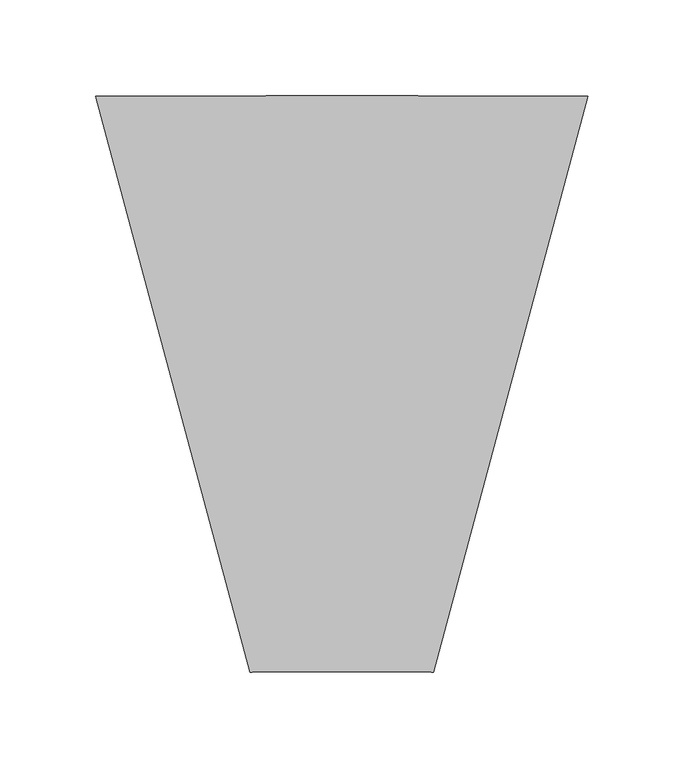
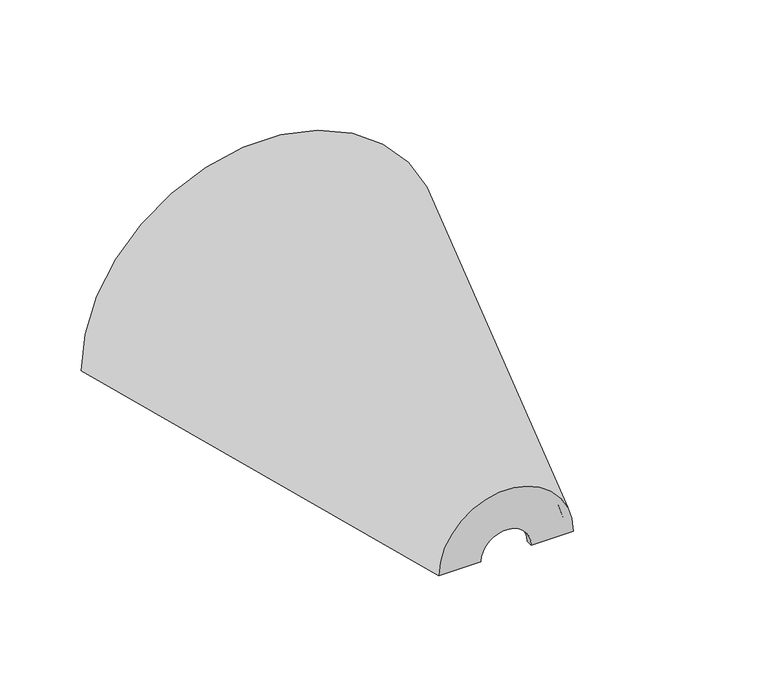
"""IFC4 building model written with IfcOpenShell, lengths in millimetres: light fixture geometry."""

from ifc_helpers import new_model, si_unit, frame, origin, place, context, project, spatial, polyline, circle_curve, source, transform, mapped, element, save
from ifc_brep_helpers import plane_surface, revolved_surface, advanced_brep


def light_fixture_4df6b3dd(model_context):
    return source(origin(), model_context, "Body", "AdvancedBrep", [
        advanced_brep(
        [(-128.2050808, 300.0, 0.0), (-123.0286999, 300.0, 0.0), (-43.9836881, 5.0, 0.0), (-17.820323, 5.0, 0.0), (-17.820323, 0.0, 0.0), (-47.820323, 0.0, 0.0), (128.2050808, 300.0, 0.0), (47.820323, 0.0, 0.0), (17.820323, 0.0, 0.0), (17.820323, 5.0, 0.0), (43.9836881, 5.0, 0.0), (123.0286999, 300.0, 0.0)],
        [
            (0, 1),
            (1, 2),
            (2, 3),
            (3, 4),
            (4, 5),
            (5, 0),
            (6, 7),
            (7, 8),
            (8, 9),
            (9, 10),
            (10, 11),
            (11, 6),
            (6, 0, circle_curve(frame((0.0, 300.0, 0.0), z_axis=(0.0, -1.0, 0.0), x_axis=(-1.0, 0.0, 0.0)), 128.2050808)),
            (5, 7, circle_curve(frame((0.0, 0.0, 0.0), z_axis=(0.0, 1.0, 0.0), x_axis=(-1.0, 0.0, 0.0)), 47.820323)),
            (4, 8, circle_curve(frame((0.0, 0.0, 0.0), z_axis=(0.0, 1.0, 0.0), x_axis=(-1.0, 0.0, 0.0)), 17.820323)),
            (3, 9, circle_curve(frame((0.0, 5.0, 0.0), z_axis=(0.0, 1.0, 0.0), x_axis=(-1.0, 0.0, 0.0)), 17.820323)),
            (2, 10, circle_curve(frame((0.0, 5.0, 0.0), z_axis=(0.0, 1.0, 0.0), x_axis=(-1.0, 0.0, 0.0)), 43.9836881)),
            (1, 11, circle_curve(frame((0.0, 300.0, 0.0), z_axis=(0.0, 1.0, 0.0), x_axis=(-1.0, 0.0, 0.0)), 123.0286999)),
        ],
        [
            plane_surface(frame((0.0, 1424.0, 0.0), z_axis=(0.0, 0.0, -1.0), x_axis=(-1.0, 0.0, 0.0))),
            plane_surface(frame((0.0, 1424.0, 0.0), z_axis=(0.0, 0.0, -1.0), x_axis=(1.0, 0.0, 0.0))),
            revolved_surface(polyline([(-128.2050808, 300.0, 0.0), (-47.820323, 0.0, 0.0)]), (0.0, 1424.0, 0.0), (0.0, -1.0, 0.0)),
            plane_surface(frame((0.0, 0.0, 0.0), z_axis=(0.0, -1.0, 0.0), x_axis=(-1.0, 0.0, 0.0))),
            revolved_surface(polyline([(-17.820323, 0.0, 0.0), (-17.820323, 5.0, 0.0)]), (0.0, 1424.0, 0.0), (0.0, -1.0, 0.0)),
            plane_surface(frame((0.0, 5.0, 0.0), z_axis=(0.0, 1.0, 0.0), x_axis=(-1.0, 0.0, 0.0))),
            revolved_surface(polyline([(-43.9836881, 5.0, 0.0), (-123.0286999, 300.0, 0.0)]), (0.0, 1424.0, 0.0), (0.0, -1.0, 0.0)),
            plane_surface(frame((0.0, 300.0, 0.0), z_axis=(0.0, 1.0, 0.0), x_axis=(-1.0, 0.0, 0.0))),
        ],
        [
            (0, [[1, 2, 3, 4, 5, 6]]),
            (1, [[7, 8, 9, 10, 11, 12]]),
            (2, [[13, -6, 14, -7]]),
            (3, [[-14, -5, 15, -8]]),
            (4, [[-15, -4, 16, -9]]),
            (5, [[-16, -3, 17, -10]]),
            (6, [[-17, -2, 18, -11]]),
            (7, [[-18, -1, -13, -12]]),
        ],
    ),
    ])


if __name__ == "__main__":
    model = new_model("IFC4")
    model_context = context("Model", 3, world=origin())
    ifc_project = project(units=[si_unit("LENGTHUNIT", "METRE", prefix="MILLI")], contexts=[model_context])
    site = spatial("IfcSite", under=ifc_project)
    building = spatial("IfcBuilding", under=site)
    placement = place(None, origin())
    light_fixture_shape = light_fixture_4df6b3dd(model_context)
    element("IfcLightFixture", 1, at=placement, inside=building, context=model_context, shape_type="MappedRepresentation", body=[
        mapped(light_fixture_shape, transform((0.0, 0.0, 0.0), x_axis=(1.0, 0.0, 0.0), y_axis=(0.0, 1.0, 0.0), z_axis=(0.0, 0.0, 1.0))),
    ])
    save(model, "model.ifc")
